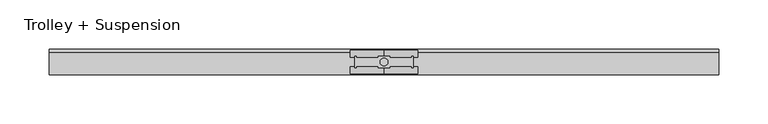
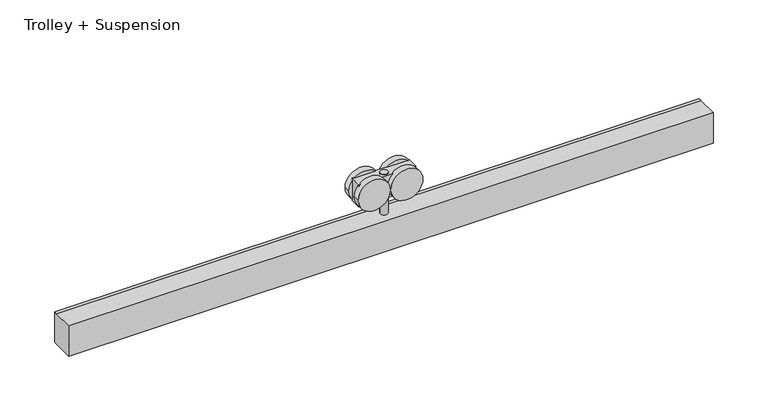
"""IFC4 building model written with IfcOpenShell, lengths in millimetres: proxy geometry, Trolley + Suspension."""

import ifcopenshell
import ifcopenshell.guid

model = None  # the IFC model being written
_history = None  # IfcOwnerHistory: only IFC2X3 demands one
_inside = {}  # id of a spatial element -> (the spatial element, [elements in it])
_under = {}  # id of a project, library or spatial element -> (it, [spatial elements below it])
_declared = {}  # id of a project -> (the project, [libraries it declares])
_typed = {}  # id of a type object -> (the type object, [elements of that type])
_made_of = {}  # id of a material, layer set ... -> (it, [elements and type objects made of it])


def new_model(schema):
    """Start an empty IFC model of exactly this schema.

    Asked for "IFC4X3", IfcOpenShell would pick the latest addendum, in which some entities
    have other attributes; the version numbers below select the first issue.
    IFC2X3 requires an IfcOwnerHistory on every rooted entity: one is made here for all.
    """
    global model, _history
    if schema == "IFC4X3":
        model = ifcopenshell.file(schema_version=(4, 3, 0, 0))
    else:
        model = ifcopenshell.file(schema=schema)
    _inside.clear()
    _under.clear()
    _declared.clear()
    _typed.clear()
    _made_of.clear()
    _history = None
    if model.schema == "IFC2X3":
        org = make("IfcOrganization", Name="unknown")
        user = make(
            "IfcPersonAndOrganization",
            ThePerson=make("IfcPerson", FamilyName="unknown"),
            TheOrganization=org,
        )
        app = make(
            "IfcApplication",
            ApplicationDeveloper=org,
            Version="unknown",
            ApplicationFullName="unknown",
            ApplicationIdentifier="unknown",
        )
        _history = make(
            "IfcOwnerHistory",
            OwningUser=user,
            OwningApplication=app,
            ChangeAction="ADDED",
            CreationDate=0,
        )
    return model


def make(cls, **values):
    """One entity of the class cls with the attributes given. An attribute that is None is left unset."""
    return model.create_entity(
        cls, **{name: value for name, value in values.items() if value is not None}
    )


def rooted(cls, **values):
    """An entity with a GlobalId (a new one), such as an element, a storey or a relation."""
    return make(cls, GlobalId=ifcopenshell.guid.new(), OwnerHistory=_history, **values)


def si_unit(unit_type, name, prefix=None):
    """IfcSIUnit, for example si_unit("LENGTHUNIT", "METRE", prefix="MILLI")."""
    return make("IfcSIUnit", UnitType=unit_type, Prefix=prefix, Name=name)


def assignment(units):
    """IfcUnitAssignment: the units of a project."""
    return None if units is None else make("IfcUnitAssignment", Units=units)


def point(xyz):
    """IfcCartesianPoint."""
    return None if xyz is None else make("IfcCartesianPoint", Coordinates=xyz)


def direction(xyz):
    """IfcDirection."""
    return None if xyz is None else make("IfcDirection", DirectionRatios=xyz)


def frame(location, z_axis=None, x_axis=None):
    """IfcAxis2Placement3D, a coordinate frame: its origin and axes. An axis left out is left unset."""
    return make(
        "IfcAxis2Placement3D",
        Location=point(location),
        Axis=direction(z_axis),
        RefDirection=direction(x_axis),
    )


def frame_2d(location, x_axis=None):
    """IfcAxis2Placement2D, a coordinate frame in the plane: its origin and x axis."""
    return make(
        "IfcAxis2Placement2D", Location=point(location), RefDirection=direction(x_axis)
    )


def origin():
    """The frame at (0, 0, 0) with its axes left unset."""
    return frame((0.0, 0.0, 0.0))


def origin_2d():
    """The frame at (0, 0) in the plane with its x axis left unset."""
    return frame_2d((0.0, 0.0))


def place(relative_to, where):
    """IfcLocalPlacement: puts the frame where relative to a parent placement (None: the world)."""
    return make(
        "IfcLocalPlacement", PlacementRelTo=relative_to, RelativePlacement=where
    )


def context(
    kind, dimensions, precision=None, world=None, true_north=None, identifier=None
):
    """IfcGeometricRepresentationContext, for example the 3D "Model" context."""
    return make(
        "IfcGeometricRepresentationContext",
        ContextIdentifier=identifier,
        ContextType=kind,
        CoordinateSpaceDimension=dimensions,
        Precision=precision,
        WorldCoordinateSystem=world,
        TrueNorth=true_north,
    )


def project(units=None, contexts=None):
    """IfcProject with its units and contexts."""
    return rooted(
        "IfcProject",
        Name="project",
        RepresentationContexts=contexts,
        UnitsInContext=assignment(units),
    )


def spatial(cls, under=None, at=None, **own):
    """A site, building, storey or space (cls), placed at a placement, below another one or the project."""
    s = rooted(cls, ObjectPlacement=at, **own)
    if under is not None:
        _under.setdefault(under.id(), (under, []))[1].append(s)
    return s


def polyline(points):
    """IfcPolyline through the points."""
    return make("IfcPolyline", Points=[point(p) for p in points])


def circle_curve(where, radius):
    """IfcCircle in the frame where."""
    return make("IfcCircle", Position=where, Radius=radius)


def trimmed(basis, trim1, trim2, sense, master):
    """IfcTrimmedCurve: the piece of a basis curve between two trims."""
    return make(
        "IfcTrimmedCurve",
        BasisCurve=basis,
        Trim1=trim1,
        Trim2=trim2,
        SenseAgreement=sense,
        MasterRepresentation=master,
    )


def segment(curve, same_sense, transition):
    """IfcCompositeCurveSegment."""
    return make(
        "IfcCompositeCurveSegment",
        Transition=transition,
        SameSense=same_sense,
        ParentCurve=curve,
    )


def composite_curve(segments, self_intersect=None):
    """IfcCompositeCurve: segments joined end to end."""
    return make("IfcCompositeCurve", Segments=segments, SelfIntersect=self_intersect)


def outline(outer, holes=None, kind="AREA"):
    """IfcArbitraryClosedProfileDef: a profile drawn as a closed curve; with holes, ...WithVoids."""
    if holes is None:
        return make("IfcArbitraryClosedProfileDef", ProfileType=kind, OuterCurve=outer)
    return make(
        "IfcArbitraryProfileDefWithVoids",
        ProfileType=kind,
        OuterCurve=outer,
        InnerCurves=holes,
    )


def extrude(swept, where, along, depth):
    """IfcExtrudedAreaSolid: the profile swept, set in the frame where, extruded along a direction by depth."""
    return make(
        "IfcExtrudedAreaSolid",
        SweptArea=swept,
        Position=where,
        ExtrudedDirection=direction(along),
        Depth=depth,
    )


def shape(context_of_items, identifier, shape_type, items):
    """IfcShapeRepresentation: the items that make up one representation, for example the "Body"."""
    return make(
        "IfcShapeRepresentation",
        ContextOfItems=context_of_items,
        RepresentationIdentifier=identifier,
        RepresentationType=shape_type,
        Items=items,
    )


def source(mapping_origin, context_of_items, identifier, shape_type, items):
    """IfcRepresentationMap: a shape defined once, which mapped items show again and again."""
    return make(
        "IfcRepresentationMap",
        MappingOrigin=mapping_origin,
        MappedRepresentation=shape(context_of_items, identifier, shape_type, items),
    )


def transform(
    local_origin,
    x_axis=None,
    y_axis=None,
    z_axis=None,
    scale=None,
    scale2=None,
    scale3=None,
    uniform=True,
):
    """IfcCartesianTransformationOperator3D, or its non-uniform kind. x_axis, y_axis, z_axis: its Axis1, 2, 3."""
    if uniform:
        return make(
            "IfcCartesianTransformationOperator3D",
            Axis1=direction(x_axis),
            Axis2=direction(y_axis),
            LocalOrigin=point(local_origin),
            Scale=scale,
            Axis3=direction(z_axis),
        )
    return make(
        "IfcCartesianTransformationOperator3DnonUniform",
        Axis1=direction(x_axis),
        Axis2=direction(y_axis),
        LocalOrigin=point(local_origin),
        Scale=scale,
        Axis3=direction(z_axis),
        Scale2=scale2,
        Scale3=scale3,
    )


def mapped(mapping_source, mapping_target):
    """IfcMappedItem: shows the shape of a source again, moved by a transform."""
    return make(
        "IfcMappedItem", MappingSource=mapping_source, MappingTarget=mapping_target
    )


def made_of(thing, what):
    """Note that an element or type object is made of a material, layer set ...; save() writes the relation."""
    if what is not None:
        _made_of.setdefault(what.id(), (what, []))[1].append(thing)
    return thing


def element(
    cls,
    number,
    at=None,
    inside=None,
    cuts=None,
    type_object=None,
    material=None,
    context=None,
    identifier="Body",
    shape_type=None,
    held_by="IfcProductDefinitionShape",
    body=None,
    shapes=None,
    **own,
):
    """One element of the class cls, such as IfcWall. Its Tag is "e" and its number.

    at: its placement. inside: the storey or other place that contains it. cuts: it is an
    opening in that element (IfcRelVoidsElement). A single representation is given by context,
    identifier, shape_type and body (its items); several are given by shapes. held_by: the class
    of the entity that holds the representations. save() writes the other relations.
    """
    e = rooted(cls, Tag="e%d" % number, ObjectPlacement=at, **own)
    if body is not None:
        shapes = [shape(context, identifier, shape_type, body)]
    if shapes is not None:
        e.Representation = make(held_by, Representations=shapes)
    if inside is not None:
        _inside.setdefault(inside.id(), (inside, []))[1].append(e)
    if cuts is not None:
        rooted(
            "IfcRelVoidsElement", RelatingBuildingElement=cuts, RelatedOpeningElement=e
        )
    if type_object is not None:
        _typed.setdefault(type_object.id(), (type_object, []))[1].append(e)
    return made_of(e, material)


def aggregate(whole, parts):
    """IfcRelAggregates: a whole, such as a stair, and the parts it consists of."""
    return rooted("IfcRelAggregates", RelatingObject=whole, RelatedObjects=parts)


def save(model, path):
    """Write the relations noted so far, then the file.

    IfcRelAggregates (storeys below a building ...), IfcRelContainedInSpatialStructure (elements
    in a storey), IfcRelDefinesByType, IfcRelAssociatesMaterial and IfcRelDeclares: one each for
    every whole, place, type object, material and project.
    """
    for whole, parts in _under.values():
        aggregate(whole, parts)
    for where, things in _inside.values():
        rooted(
            "IfcRelContainedInSpatialStructure",
            RelatedElements=things,
            RelatingStructure=where,
        )
    for kind, things in _typed.values():
        rooted("IfcRelDefinesByType", RelatedObjects=things, RelatingType=kind)
    for what, things in _made_of.values():
        rooted("IfcRelAssociatesMaterial", RelatedObjects=things, RelatingMaterial=what)
    for by, libraries in _declared.values():
        rooted("IfcRelDeclares", RelatingContext=by, RelatedDefinitions=libraries)
    model.write(path)


def trolley_suspension_0f99a852(model_context):
    return source(origin(), model_context, "Body", "SweptSolid", [
        extrude(outline(composite_curve([segment(trimmed(circle_curve(origin_2d(), 4.0), [point((-4.0, 0.0))], [point((4.0, 0.0))], False, "CARTESIAN"), True, "CONTINUOUS"), segment(trimmed(circle_curve(origin_2d(), 4.0), [point((4.0, 0.0))], [point((-4.0, 0.0))], False, "CARTESIAN"), True, "CONTINUOUS")], self_intersect=False)), frame((0.0, 0.0, 34.0), z_axis=(0.0, 0.0, 1.0), x_axis=(1.0, 0.0, 0.0)), (0.0, 0.0, 1.0), 45.0),
        extrude(outline(polyline([(30.0, -6.0), (-30.0, -6.0), (-30.0, 6.0), (30.0, 6.0), (30.0, -6.0)])), frame((0.0, 0.0, 54.0), z_axis=(0.0, 0.0, 1.0), x_axis=(1.0, 0.0, 0.0)), (0.0, 0.0, 1.0), 25.0),
        extrude(outline(composite_curve([segment(trimmed(circle_curve(frame_2d((66.5, 17.1562807)), 17.0), [point((66.5, 0.1562807))], [point((66.5, 34.1562807))], False, "CARTESIAN"), True, "CONTINUOUS"), segment(trimmed(circle_curve(frame_2d((66.5, 17.1562807)), 17.0), [point((66.5, 34.1562807))], [point((66.5, 0.1562807))], False, "CARTESIAN"), True, "CONTINUOUS")], self_intersect=False)), frame((0.0, 5.0, 0.0), z_axis=(0.0, 1.0, 0.0), x_axis=(0.0, 0.0, 1.0)), (0.0, 0.0, 1.0), 7.0),
        extrude(outline(composite_curve([segment(trimmed(circle_curve(frame_2d((66.5, 17.1562807)), 17.0), [point((66.5, 0.1562807))], [point((66.5, 34.1562807))], False, "CARTESIAN"), True, "CONTINUOUS"), segment(trimmed(circle_curve(frame_2d((66.5, 17.1562807)), 17.0), [point((66.5, 34.1562807))], [point((66.5, 0.1562807))], False, "CARTESIAN"), True, "CONTINUOUS")], self_intersect=False)), frame((0.0, -12.0, 0.0), z_axis=(0.0, 1.0, 0.0), x_axis=(0.0, 0.0, 1.0)), (0.0, 0.0, 1.0), 7.0),
        extrude(outline(composite_curve([segment(trimmed(circle_curve(frame_2d((66.5, -17.2187193)), 17.0), [point((66.5, -34.2187193))], [point((66.5, -0.2187193))], False, "CARTESIAN"), True, "CONTINUOUS"), segment(trimmed(circle_curve(frame_2d((66.5, -17.2187193)), 17.0), [point((66.5, -0.2187193))], [point((66.5, -34.2187193))], False, "CARTESIAN"), True, "CONTINUOUS")], self_intersect=False)), frame((0.0, 5.0, 0.0), z_axis=(0.0, 1.0, 0.0), x_axis=(0.0, 0.0, 1.0)), (0.0, 0.0, 1.0), 7.0),
        extrude(outline(composite_curve([segment(trimmed(circle_curve(frame_2d((66.5, -17.2187193)), 17.0), [point((66.5, -34.2187193))], [point((66.5, -0.2187193))], False, "CARTESIAN"), True, "CONTINUOUS"), segment(trimmed(circle_curve(frame_2d((66.5, -17.2187193)), 17.0), [point((66.5, -0.2187193))], [point((66.5, -34.2187193))], False, "CARTESIAN"), True, "CONTINUOUS")], self_intersect=False)), frame((0.0, -12.0, 0.0), z_axis=(0.0, 1.0, 0.0), x_axis=(0.0, 0.0, 1.0)), (0.0, 0.0, 1.0), 7.0),
        extrude(outline(polyline([(-13.0, 34.0), (9.692747, 34.0), (13.0, 34.0), (13.0, 0.0), (-13.0, 0.0), (-13.0, 34.0)])), frame((-340.5714286, 0.0, 0.0), z_axis=(1.0, 0.0, 0.0), x_axis=(0.0, 1.0, 0.0)), (0.0, 0.0, 1.0), 681.1428571),
    ])


if __name__ == "__main__":
    model = new_model("IFC4")
    model_context = context("Model", 3, world=origin())
    ifc_project = project(units=[si_unit("LENGTHUNIT", "METRE", prefix="MILLI")], contexts=[model_context])
    site = spatial("IfcSite", under=ifc_project)
    building = spatial("IfcBuilding", under=site)
    placement = place(None, origin())
    trolley_suspension_shape = trolley_suspension_0f99a852(model_context)
    element("IfcBuildingElementProxy", 1, Name="Trolley + Suspension", ObjectType="Trolley + Suspension", at=placement, inside=building, context=model_context, shape_type="MappedRepresentation", body=[
        mapped(trolley_suspension_shape, transform((0.0, 0.0, 0.0), x_axis=(1.0, 0.0, 0.0), y_axis=(0.0, 1.0, 0.0), z_axis=(0.0, 0.0, 1.0))),
    ])
    save(model, "model.ifc")
